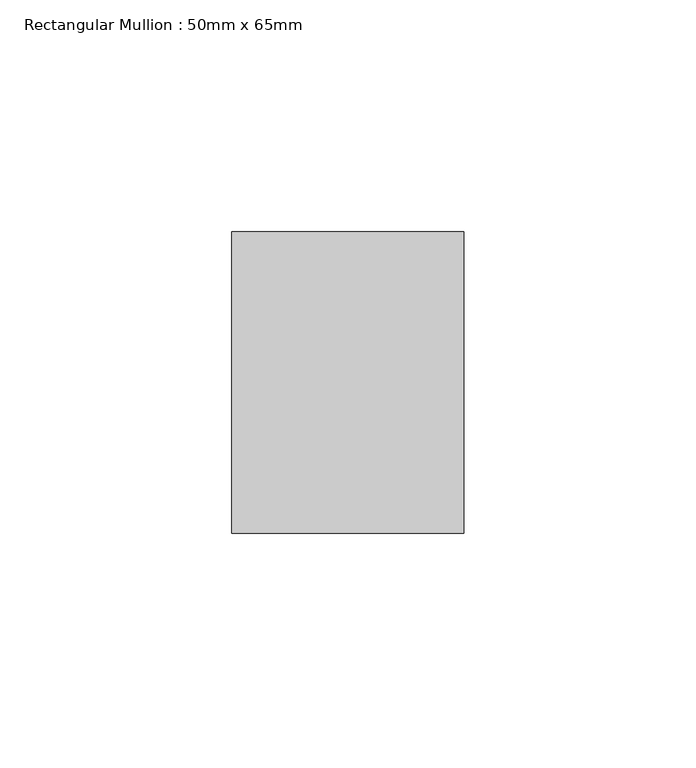
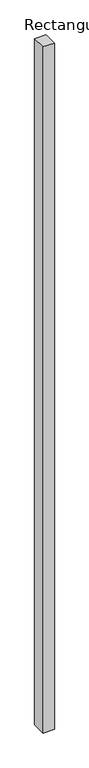
"""IFC4 building model written with IfcOpenShell, lengths in millimetres: member geometry, Rectangular Mullion : 50mm x 65mm."""

from ifc_helpers import new_model, si_unit, frame, origin, place, context, project, spatial, polyline, outline, extrude, source, transform, mapped, element, save


def rectangular_mullion_50mm_x_65mm_3b5c6ba0(model_context):
    return source(origin(), model_context, "Body", "SweptSolid", [
        extrude(outline(polyline([(25.0, 32.5), (25.0, -32.5), (-25.0, -32.5), (-25.0, 32.5), (25.0, 32.5)])), frame((0.0, 0.0, -3235.2675782), z_axis=(0.0, 0.0, 1.0), x_axis=(1.0, 0.0, 0.0)), (0.0, 0.0, 1.0), 3235.2675782),
    ])


if __name__ == "__main__":
    model = new_model("IFC4")
    model_context = context("Model", 3, world=origin())
    ifc_project = project(units=[si_unit("LENGTHUNIT", "METRE", prefix="MILLI")], contexts=[model_context])
    site = spatial("IfcSite", under=ifc_project)
    building = spatial("IfcBuilding", under=site)
    placement = place(None, origin())
    rectangular_mullion_50mm_x_65mm_shape = rectangular_mullion_50mm_x_65mm_3b5c6ba0(model_context)
    element("IfcMember", 1, ObjectType="Rectangular Mullion : 50mm x 65mm", at=placement, inside=building, context=model_context, shape_type="MappedRepresentation", body=[
        mapped(rectangular_mullion_50mm_x_65mm_shape, transform((0.0, 0.0, 0.0), x_axis=(1.0, 0.0, 0.0), y_axis=(0.0, 1.0, 0.0), z_axis=(0.0, 0.0, 1.0))),
    ])
    save(model, "model.ifc")
